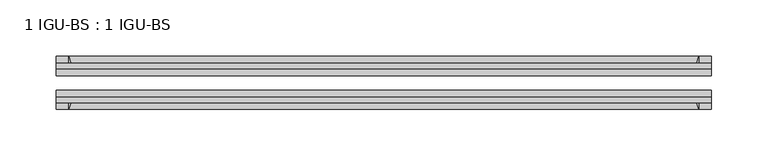
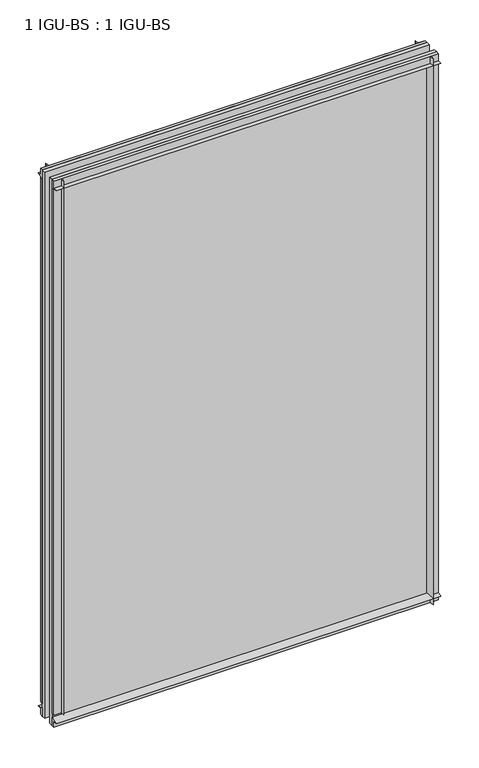
"""IFC4 building model written with IfcOpenShell, lengths in millimetres: plate geometry, 1 IGU-BS : 1 IGU-BS."""

from ifc_helpers import new_model, si_unit, point, frame, frame_2d, origin, origin_with_axes, place, context, project, spatial, polyline, circle_curve, trimmed, segment, composite_curve, outline, extrude, source, transform, mapped, element, save


def plate_1_igu_bs_1_igu_bs_60c636e5(model_context):
    return source(origin(), model_context, "Body", "SweptSolid", [
        extrude(outline(composite_curve([segment(polyline([(-109.8637312, 860.425), (-103.8947312, 860.425), (-103.8947312, 871.5375), (-99.1195312, 871.5375), (-99.1195312, 856.5271095)]), True, "CONTINUOUS"), segment(trimmed(circle_curve(frame_2d((-115.4953516, 828.1452461)), 32.7673262), [point((-99.1195312, 856.5271095))], [point((-109.8637312, 860.425))], True, "CARTESIAN"), True, "CONTINUOUS")], self_intersect=False)), frame((-290.5121031, 0.0, 0.0), z_axis=(1.0, 0.0, 0.0), x_axis=(0.0, 1.0, 0.0)), (0.0, 0.0, 1.0), 581.0242062),
        extrude(outline(composite_curve([segment(polyline([(-73.7195312, 856.5271095), (-73.7195312, 871.5375), (-68.9443312, 871.5375), (-68.9443312, 860.425), (-62.9753315, 860.425)]), True, "CONTINUOUS"), segment(trimmed(circle_curve(frame_2d((-57.3437109, 828.1452461)), 32.7673262), [point((-62.9753315, 860.425))], [point((-73.7195312, 856.5271095))], True, "CARTESIAN"), True, "CONTINUOUS")], self_intersect=False)), frame((-290.5121031, 0.0, 0.0), z_axis=(1.0, 0.0, 0.0), x_axis=(0.0, 1.0, 0.0)), (0.0, 0.0, 1.0), 581.0242062),
        extrude(outline(composite_curve([segment(polyline([(-103.8947312, 0.0), (-103.8947312, 9.5265381), (-109.8637315, 9.5265381)]), True, "CONTINUOUS"), segment(trimmed(circle_curve(frame_2d((-115.5567965, 42.1919217)), 33.1577785), [point((-109.8637315, 9.5265381))], [point((-99.1195312, 13.3951409))], True, "CARTESIAN"), True, "CONTINUOUS"), segment(polyline([(-99.1195312, 13.3951409), (-99.1195312, 0.0), (-103.8947312, 0.0)]), True, "CONTINUOUS")], self_intersect=False)), frame((-290.5121031, 0.0, 0.0), z_axis=(1.0, 0.0, 0.0), x_axis=(0.0, 1.0, 0.0)), (0.0, 0.0, 1.0), 581.0242062),
        extrude(outline(composite_curve([segment(polyline([(-68.9443312, 0.0), (-73.7195312, 0.0), (-73.7195312, 13.4228906)]), True, "CONTINUOUS"), segment(trimmed(circle_curve(frame_2d((-57.3437109, 41.804754)), 32.7673262), [point((-73.7195312, 13.4228906))], [point((-62.9841404, 9.5265381))], True, "CARTESIAN"), True, "CONTINUOUS"), segment(polyline([(-62.9841404, 9.5265381), (-68.9443312, 9.5265381), (-68.9443312, 0.0)]), True, "CONTINUOUS")], self_intersect=False)), frame((-290.5121031, 0.0, 0.0), z_axis=(1.0, 0.0, 0.0), x_axis=(0.0, 1.0, 0.0)), (0.0, 0.0, 1.0), 581.0242062),
        extrude(outline(composite_curve([segment(polyline([(290.5121031, -68.9443313), (290.5121031, -73.7195313), (275.5017126, -73.7195313)]), True, "CONTINUOUS"), segment(trimmed(circle_curve(frame_2d((247.1198492, -57.3437109)), 32.7673262), [point((275.5017126, -73.7195313))], [point((279.3996031, -62.9753313))], True, "CARTESIAN"), True, "CONTINUOUS"), segment(polyline([(279.3996031, -62.9753313), (279.3996031, -68.9443313), (290.5121031, -68.9443313)]), True, "CONTINUOUS")], self_intersect=False)), origin_with_axes(), (0.0, 0.0, 1.0), 871.5375),
        extrude(outline(composite_curve([segment(polyline([(290.5121031, -99.1195313), (290.5121031, -103.8947312), (279.3996031, -103.8947312), (279.3996031, -109.8637312)]), True, "CONTINUOUS"), segment(trimmed(circle_curve(frame_2d((247.1198492, -115.4953516)), 32.7673262), [point((279.3996031, -109.8637312))], [point((275.5017126, -99.1195313))], True, "CARTESIAN"), True, "CONTINUOUS"), segment(polyline([(275.5017126, -99.1195313), (290.5121031, -99.1195313)]), True, "CONTINUOUS")], self_intersect=False)), origin_with_axes(), (0.0, 0.0, 1.0), 871.5375),
        extrude(outline(composite_curve([segment(polyline([(-290.5121031, -68.9443313), (-279.3996031, -68.9443313), (-279.3996031, -62.9753312)]), True, "CONTINUOUS"), segment(trimmed(circle_curve(frame_2d((-247.1198492, -57.3437109)), 32.7673262), [point((-279.3996031, -62.9753312))], [point((-275.5017126, -73.7195313))], True, "CARTESIAN"), True, "CONTINUOUS"), segment(polyline([(-275.5017126, -73.7195313), (-290.5121031, -73.7195313), (-290.5121031, -68.9443313)]), True, "CONTINUOUS")], self_intersect=False)), frame((0.0, 0.0, 19.8437501), z_axis=(0.0, 0.0, 1.0), x_axis=(1.0, 0.0, 0.0)), (0.0, 0.0, 1.0), 851.6937499),
        extrude(outline(composite_curve([segment(polyline([(-290.5121031, -103.8947312), (-290.5121031, -99.1195313), (-275.5017126, -99.1195313)]), True, "CONTINUOUS"), segment(trimmed(circle_curve(frame_2d((-247.1198492, -115.4953516)), 32.7673262), [point((-275.5017126, -99.1195313))], [point((-279.3996031, -109.8637313))], True, "CARTESIAN"), True, "CONTINUOUS"), segment(polyline([(-279.3996031, -109.8637313), (-279.3996031, -103.8947312), (-290.5121031, -103.8947312)]), True, "CONTINUOUS")], self_intersect=False)), frame((0.0, 0.0, 19.8437501), z_axis=(0.0, 0.0, 1.0), x_axis=(1.0, 0.0, 0.0)), (0.0, 0.0, 1.0), 851.6937499),
        extrude(outline(polyline([(-290.5121031, -99.1195313), (-290.5121031, -92.8203313), (290.5121031, -92.8203313), (290.5121031, -99.1195313), (-290.5121031, -99.1195313)])), origin_with_axes(), (0.0, 0.0, 1.0), 871.5375),
        extrude(outline(polyline([(290.5121031, -80.0187313), (-290.5121031, -80.0187313), (-290.5121031, -73.7195313), (290.5121031, -73.7195313), (290.5121031, -80.0187313)])), origin_with_axes(), (0.0, 0.0, 1.0), 871.5375),
    ])


if __name__ == "__main__":
    model = new_model("IFC4")
    model_context = context("Model", 3, world=origin())
    ifc_project = project(units=[si_unit("LENGTHUNIT", "METRE", prefix="MILLI")], contexts=[model_context])
    site = spatial("IfcSite", under=ifc_project)
    building = spatial("IfcBuilding", under=site)
    placement = place(None, origin())
    plate_1_igu_bs_1_igu_bs_shape = plate_1_igu_bs_1_igu_bs_60c636e5(model_context)
    element("IfcPlate", 1, ObjectType="1 IGU-BS : 1 IGU-BS", at=placement, inside=building, context=model_context, shape_type="MappedRepresentation", body=[
        mapped(plate_1_igu_bs_1_igu_bs_shape, transform((0.0, 0.0, 0.0), x_axis=(1.0, 0.0, 0.0), y_axis=(0.0, 1.0, 0.0), z_axis=(0.0, 0.0, 1.0))),
    ])
    save(model, "model.ifc")
